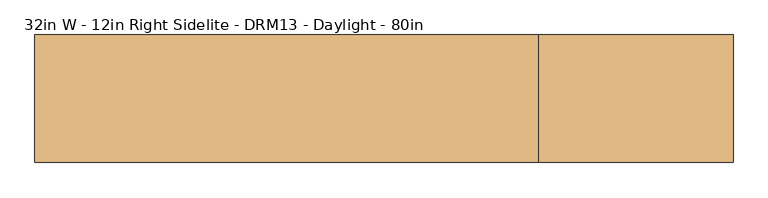
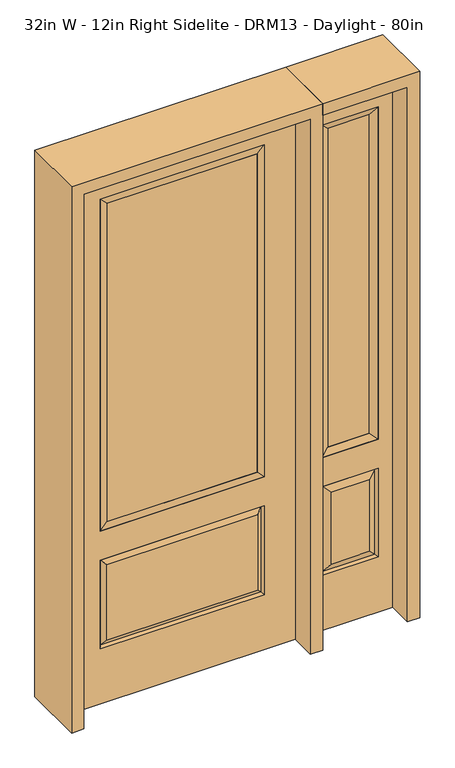
"""IFC4 building model written with IfcOpenShell, lengths in millimetres: door geometry, 32in W - 12in Right Sidelite - DRM13 - Daylight - 80in."""

from ifc_helpers import new_model, si_unit, frame, origin, place, context, project, spatial, polyline, outline, extrude, faceted_brep, source, transform, mapped, element, save


def door_32in_w_12in_right_sidelite_drm13_daylight_80in_9de205ea(model_context):
    return source(origin(), model_context, "Body", "SolidModel", [
        faceted_brep([(450.85, -22.225, 0.0), (755.65, -22.225, 0.0), (755.65, -22.225, 2032.0), (450.85, -22.225, 2032.0), (703.58, -22.225, 1919.224), (703.58, -22.225, 657.098), (502.92, -22.225, 657.098), (502.92, -22.225, 1919.224), (703.58, -22.225, 209.55), (502.92, -22.225, 209.55), (502.92, -22.225, 546.1), (703.58, -22.225, 546.1), (534.6351001, -22.225, 241.2651001), (671.8648999, -22.225, 241.2651001), (671.8648999, -22.225, 514.3848999), (534.6351001, -22.225, 514.3848999), (450.85, 22.225, 0.0), (450.85, 22.225, 2032.0), (755.65, 22.225, 2032.0), (755.65, 22.225, 0.0), (703.58, 22.225, 1919.224), (502.92, 22.225, 1919.224), (502.92, 22.225, 657.098), (703.58, 22.225, 657.098), (502.92, 22.225, 209.55), (703.58, 22.225, 209.55), (703.58, 22.225, 546.1), (502.92, 22.225, 546.1), (671.8648999, 22.225, 241.2651001), (534.6351001, 22.225, 241.2651001), (534.6351001, 22.225, 514.3848999), (671.8648999, 22.225, 514.3848999), (696.4711499, 12.7912373, 216.6588501), (510.0288501, 12.7912373, 216.6588501), (510.0288501, 12.7912373, 538.9911499), (696.4711499, 12.7912373, 538.9911499), (510.0288501, -12.7912373, 216.6588501), (696.4711499, -12.7912373, 216.6588501), (510.0288501, -12.7912373, 538.9911499), (696.4711499, -12.7912373, 538.9911499)], [[[0, 1, 2, 3], [4, 5, 6, 7], [8, 9, 10, 11]], [[12, 13, 14, 15]], [[16, 17, 18, 19], [20, 21, 22, 23], [24, 25, 26, 27]], [[28, 29, 30, 31]], [[1, 0, 16, 19]], [[2, 1, 19, 18]], [[3, 2, 18, 17]], [[0, 3, 17, 16]], [[5, 4, 20, 23]], [[6, 5, 23, 22]], [[7, 6, 22, 21]], [[4, 7, 21, 20]], [[32, 33, 29, 28]], [[33, 32, 25, 24]], [[29, 33, 34, 30]], [[33, 24, 27, 34]], [[30, 34, 35, 31]], [[34, 27, 26, 35]], [[32, 28, 31, 35]], [[25, 32, 35, 26]], [[12, 36, 37, 13]], [[37, 36, 9, 8]], [[36, 12, 15, 38]], [[9, 36, 38, 10]], [[38, 15, 14, 39]], [[10, 38, 39, 11]], [[13, 37, 39, 14]], [[37, 8, 11, 39]]]),
        faceted_brep([(502.92, 22.225, 1919.224), (502.92, -22.225, 1919.224), (703.58, -22.225, 1919.224), (703.58, 22.225, 1919.224), (528.32, 12.7, 1893.824), (678.18, 12.7, 1893.824), (528.32, -12.7, 1893.824), (678.18, -12.7, 1893.824), (703.58, -22.225, 657.098), (703.58, 22.225, 657.098), (678.18, 12.7, 682.498), (678.18, -12.7, 682.498), (502.92, -22.225, 657.098), (502.92, 22.225, 657.098), (528.32, 12.7, 682.498), (528.32, -12.7, 682.498)], [[[0, 1, 2, 3]], [[4, 0, 3, 5]], [[6, 4, 5, 7]], [[1, 6, 7, 2]], [[3, 2, 8, 9]], [[5, 3, 9, 10]], [[7, 5, 10, 11]], [[2, 7, 11, 8]], [[9, 8, 12, 13]], [[10, 9, 13, 14]], [[11, 10, 14, 15]], [[8, 11, 15, 12]], [[13, 12, 1, 0]], [[14, 13, 0, 4]], [[15, 14, 4, 6]], [[12, 15, 6, 1]]]),
        extrude(outline(polyline([(678.18, -12.7), (528.32, -12.7), (528.32, 12.7), (678.18, 12.7), (678.18, -12.7)])), frame((0.0, 0.0, 682.498), z_axis=(0.0, 0.0, 1.0), x_axis=(1.0, 0.0, 0.0)), (0.0, 0.0, 1.0), 1211.326),
        faceted_brep([(-288.1661499, -12.7912373, 216.6588501), (288.1661499, -12.7912373, 216.6588501), (270.66875, -22.225, 234.15625), (-270.66875, -22.225, 234.15625), (-295.275, -22.225, 209.55), (295.275, -22.225, 209.55), (-288.1661499, -12.7912373, 538.9911499), (-295.275, -22.225, 546.1), (270.66875, -22.225, 521.49375), (-270.66875, -22.225, 521.49375), (406.4, -22.225, 2032.0), (-406.4, -22.225, 2032.0), (-406.4, -22.225, 0.0), (406.4, -22.225, 0.0), (295.275, -22.225, 546.1), (295.275, -22.225, 1917.7), (295.275, -22.225, 657.098), (-295.275, -22.225, 657.098), (-295.275, -22.225, 1917.7), (288.1661499, -12.7912373, 538.9911499), (-406.4, 22.225, 2032.0), (-406.4, 22.225, 0.0), (406.4, 22.225, 0.0), (406.4, 22.225, 2032.0), (295.275, 22.225, 1917.7), (295.275, 22.225, 657.098), (-295.275, 22.225, 657.098), (-295.275, 22.225, 1917.7), (-295.275, 22.225, 209.55), (295.275, 22.225, 209.55), (295.275, 22.225, 546.1), (-295.275, 22.225, 546.1), (270.66875, 22.225, 234.15625), (-270.66875, 22.225, 234.15625), (-270.66875, 22.225, 521.49375), (270.66875, 22.225, 521.49375), (-288.1661499, 12.7912373, 216.6588501), (288.1661499, 12.7912373, 216.6588501), (288.1661499, 12.7912373, 538.9911499), (-288.1661499, 12.7912373, 538.9911499)], [[[0, 1, 2, 3]], [[1, 0, 4, 5]], [[4, 0, 6, 7]], [[3, 2, 8, 9]], [[10, 11, 12, 13], [5, 4, 7, 14], [15, 16, 17, 18]], [[1, 5, 14, 19]], [[2, 1, 19, 8]], [[0, 3, 9, 6]], [[7, 6, 19, 14]], [[6, 9, 8, 19]], [[12, 11, 20, 21]], [[13, 12, 21, 22]], [[10, 13, 22, 23]], [[16, 15, 24, 25]], [[17, 16, 25, 26]], [[18, 17, 26, 27]], [[23, 22, 21, 20], [28, 29, 30, 31], [24, 27, 26, 25]], [[32, 33, 34, 35]], [[28, 36, 37, 29]], [[29, 37, 38, 30]], [[39, 31, 30, 38]], [[36, 28, 31, 39]], [[37, 36, 33, 32]], [[33, 36, 39, 34]], [[34, 39, 38, 35]], [[37, 32, 35, 38]], [[11, 10, 23, 20]], [[15, 18, 27, 24]]]),
        faceted_brep([(-295.275, -22.225, 1917.7), (-295.275, 22.225, 1917.7), (-295.275, 22.225, 657.098), (-295.275, -22.225, 657.098), (295.275, 22.225, 657.098), (295.275, -22.225, 657.098), (-269.875, 5.08, 682.498), (269.875, 5.08, 682.498), (295.275, 22.225, 1917.7), (295.275, -22.225, 1917.7), (-269.875, -20.32, 682.498), (269.875, -20.32, 682.498), (-269.875, -20.32, 1892.3), (269.875, -20.32, 1892.3), (-269.875, 5.08, 1892.3), (269.875, 5.08, 1892.3)], [[[0, 1, 2, 3]], [[3, 2, 4, 5]], [[2, 6, 7, 4]], [[5, 4, 8, 9]], [[10, 3, 5, 11]], [[12, 0, 3, 10]], [[11, 5, 9, 13]], [[6, 10, 11, 7]], [[14, 12, 10, 6]], [[7, 11, 13, 15]], [[1, 14, 6, 2]], [[4, 7, 15, 8]], [[9, 8, 1, 0]], [[13, 9, 0, 12]], [[15, 13, 12, 14]], [[8, 15, 14, 1]]]),
        extrude(outline(polyline([(269.875, -20.32), (-269.875, -20.32), (-269.875, 5.08), (269.875, 5.08), (269.875, -20.32)])), frame((0.0, 0.0, 682.498), z_axis=(0.0, 0.0, 1.0), x_axis=(1.0, 0.0, 0.0)), (0.0, 0.0, 1.0), 1209.802),
        extrude(outline(polyline([(2076.45, -450.85), (0.0, -450.85), (0.0, -406.4), (2032.0, -406.4), (2032.0, 406.4), (0.0, 406.4), (0.0, 450.85), (2076.45, 450.85), (2076.45, -450.85)])), frame((0.0, -114.3, 0.0), z_axis=(0.0, 1.0, 0.0), x_axis=(0.0, 0.0, 1.0)), (0.0, 0.0, 1.0), 228.6),
        extrude(outline(polyline([(0.0, 755.65), (0.0, 800.1), (2076.45, 800.1), (2076.45, 450.85), (2032.0, 450.85), (2032.0, 755.65), (0.0, 755.65)])), frame((0.0, -114.3, 0.0), z_axis=(0.0, 1.0, 0.0), x_axis=(0.0, 0.0, 1.0)), (0.0, 0.0, 1.0), 228.6),
    ])


if __name__ == "__main__":
    model = new_model("IFC4")
    model_context = context("Model", 3, world=origin())
    ifc_project = project(units=[si_unit("LENGTHUNIT", "METRE", prefix="MILLI")], contexts=[model_context])
    site = spatial("IfcSite", under=ifc_project)
    building = spatial("IfcBuilding", under=site)
    placement = place(None, origin())
    door_32in_w_12in_right_sidelite_drm13_daylight_80in_shape = door_32in_w_12in_right_sidelite_drm13_daylight_80in_9de205ea(model_context)
    element("IfcDoor", 1, ObjectType="32in W - 12in Right Sidelite - DRM13 - Daylight - 80in", at=placement, inside=building, context=model_context, shape_type="MappedRepresentation", body=[
        mapped(door_32in_w_12in_right_sidelite_drm13_daylight_80in_shape, transform((0.0, 0.0, 0.0), x_axis=(1.0, 0.0, 0.0), y_axis=(0.0, 1.0, 0.0), z_axis=(0.0, 0.0, 1.0))),
    ])
    save(model, "model.ifc")
